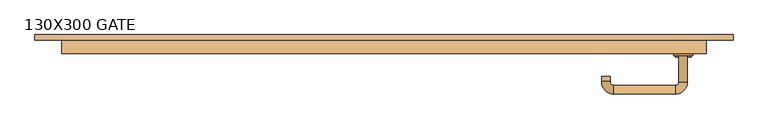
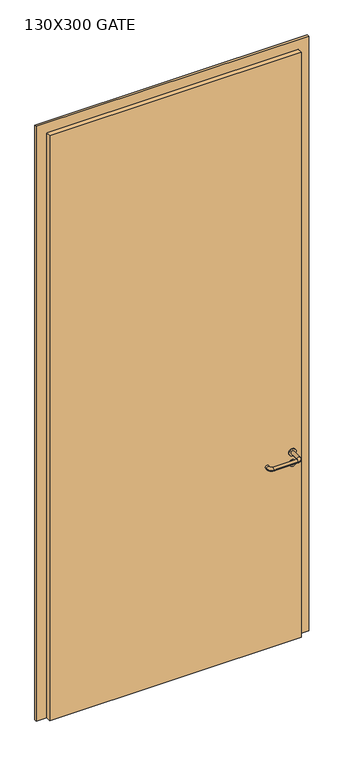
"""IFC4 building model written with IfcOpenShell, lengths in millimetres: door geometry, 130X300 GATE."""

from ifc_helpers import new_model, si_unit, point, frame, frame_2d, origin, origin_with_axes, place, context, project, spatial, polyline, circle_curve, ellipse_curve, trimmed, segment, composite_curve, outline, extrude, source, transform, mapped, element, save
from ifc_brep_helpers import plane_surface, cylinder_surface, revolved_surface, advanced_brep


def door_130x300_gate_be01837f(model_context):
    return source(origin(), model_context, "Body", "SolidModel", [
        extrude(outline(composite_curve([segment(trimmed(circle_curve(frame_2d((897.3605726, 557.0)), 15.0), [point((897.3605726, 572.0))], [point((897.3605726, 542.0))], False, "CARTESIAN"), True, "CONTINUOUS"), segment(trimmed(circle_curve(frame_2d((897.3605726, 557.0)), 15.0), [point((897.3605726, 542.0))], [point((897.3605726, 572.0))], False, "CARTESIAN"), True, "CONTINUOUS")], self_intersect=False), holes=[composite_curve([segment(trimmed(circle_curve(frame_2d((892.5833211, 556.9398032)), 2.0), [point((892.5833211, 558.9398032))], [point((892.5833211, 554.9398032))], True, "CARTESIAN"), True, "CONTINUOUS"), segment(polyline([(892.5833211, 554.9398032), (902.5833211, 554.9398032)]), True, "CONTINUOUS"), segment(trimmed(circle_curve(frame_2d((902.5833211, 556.9398032)), 2.0), [point((902.5833211, 554.9398032))], [point((902.5833211, 558.9398032))], True, "CARTESIAN"), True, "CONTINUOUS"), segment(polyline([(902.5833211, 558.9398032), (892.5833211, 558.9398032)]), True, "CONTINUOUS")], self_intersect=False)]), frame((0.0, -31.35, 0.0), z_axis=(0.0, 1.0, 0.0), x_axis=(0.0, 0.0, 1.0)), (0.0, 0.0, 1.0), 6.35),
        extrude(outline(composite_curve([segment(trimmed(circle_curve(frame_2d((950.0, 557.0)), 17.526), [point((950.0, 574.526))], [point((950.0, 539.474))], False, "CARTESIAN"), True, "CONTINUOUS"), segment(trimmed(circle_curve(frame_2d((950.0, 557.0)), 17.526), [point((950.0, 539.474))], [point((950.0, 574.526))], False, "CARTESIAN"), True, "CONTINUOUS")], self_intersect=False)), frame((0.0, -28.175, 0.0), z_axis=(0.0, 1.0, 0.0), x_axis=(0.0, 0.0, 1.0)), (0.0, 0.0, 1.0), 3.175),
        advanced_brep(
        [(565.0, -25.0, 950.0), (549.0, -25.0, 950.0), (549.0, -78.0, 950.0), (565.0, -78.0, 950.0), (542.8578644, -84.1421356, 950.0), (542.8578644, -100.1421356, 950.0), (427.8578644, -84.1421356, 950.0), (427.8578644, -100.1421356, 950.0), (421.008622, -77.2928932, 950.0), (405.008622, -77.2928932, 950.0), (405.008622, -67.2928932, 950.0), (421.008622, -67.2928932, 950.0)],
        [
            (0, 1, circle_curve(frame((557.0, -25.0, 950.0), z_axis=(0.0, 1.0, 0.0), x_axis=(-1.0, 0.0, 0.0)), 8.0)),
            (1, 0, circle_curve(frame((557.0, -25.0, 950.0), z_axis=(0.0, 1.0, 0.0), x_axis=(-1.0, 0.0, 0.0)), 8.0)),
            (1, 2),
            (2, 3, circle_curve(frame((557.0, -78.0, 950.0), z_axis=(0.0, 1.0, 0.0), x_axis=(-1.0, 0.0, 0.0)), 8.0)),
            (3, 0),
            (3, 2, circle_curve(frame((557.0, -78.0, 950.0), z_axis=(0.0, 1.0, 0.0), x_axis=(-1.0, 0.0, 0.0)), 8.0)),
            (4, 5, circle_curve(frame((542.8578644, -92.1421356, 950.0), z_axis=(1.0, 0.0, 0.0), x_axis=(0.0, 1.0, 0.0)), 8.0)),
            (5, 3, circle_curve(frame((542.8578644, -78.0, 950.0), z_axis=(0.0, 0.0, 1.0), x_axis=(1.0, 0.0, 0.0)), 22.1421356)),
            (2, 4, circle_curve(frame((542.8578644, -78.0, 950.0), z_axis=(0.0, 0.0, -1.0), x_axis=(1.0, 0.0, 0.0)), 6.1421356)),
            (5, 4, circle_curve(frame((542.8578644, -92.1421356, 950.0), z_axis=(1.0, 0.0, 0.0), x_axis=(0.0, 1.0, 0.0)), 8.0)),
            (4, 6),
            (6, 7, circle_curve(frame((427.8578644, -92.1421356, 950.0), z_axis=(1.0, 0.0, 0.0), x_axis=(0.0, 1.0, 0.0)), 8.0)),
            (7, 5),
            (7, 6, circle_curve(frame((427.8578644, -92.1421356, 950.0), z_axis=(1.0, 0.0, 0.0), x_axis=(0.0, 1.0, 0.0)), 8.0)),
            (8, 9, circle_curve(frame((413.008622, -77.2928932, 950.0), z_axis=(0.0, -1.0, 0.0), x_axis=(1.0, 0.0, 0.0)), 8.0)),
            (9, 7, circle_curve(frame((427.8578644, -77.2928932, 950.0), z_axis=(0.0, 0.0, 1.0), x_axis=(0.0, -1.0, 0.0)), 22.8492424)),
            (6, 8, circle_curve(frame((427.8578644, -77.2928932, 950.0), z_axis=(0.0, 0.0, -1.0), x_axis=(0.0, -1.0, 0.0)), 6.8492424)),
            (9, 8, circle_curve(frame((413.008622, -77.2928932, 950.0), z_axis=(0.0, -1.0, 0.0), x_axis=(1.0, 0.0, 0.0)), 8.0)),
            (10, 11, circle_curve(frame((413.008622, -67.2928932, 950.0), z_axis=(0.0, 1.0, 0.0), x_axis=(1.0, 0.0, 0.0)), 8.0)),
            (11, 10, circle_curve(frame((413.008622, -67.2928932, 950.0), z_axis=(0.0, 1.0, 0.0), x_axis=(1.0, 0.0, 0.0)), 8.0)),
            (8, 11),
            (10, 9),
        ],
        [
            plane_surface(frame((557.0, -25.0, 0.0), z_axis=(0.0, 1.0, 0.0), x_axis=(0.0, 0.0, 1.0))),
            cylinder_surface(frame((557.0, -25.0, 950.0), z_axis=(0.0, 1.0, 0.0), x_axis=(-1.0, 0.0, 0.0)), 8.0),
            revolved_surface(trimmed(ellipse_curve(frame((557.0, -78.0, 950.0), z_axis=(0.0, -1.0, 0.0), x_axis=(-1.0, 0.0, 0.0)), 8.0, 8.0), [point((565.0, -78.0, 950.0))], [point((549.0, -78.0, 950.0))], True, "CARTESIAN"), (542.8578644, -78.0, 0.0), (0.0, 0.0, 1.0)),
            revolved_surface(trimmed(ellipse_curve(frame((557.0, -78.0, 950.0), z_axis=(0.0, -1.0, 0.0), x_axis=(-1.0, 0.0, 0.0)), 8.0, 8.0), [point((549.0, -78.0, 950.0))], [point((565.0, -78.0, 950.0))], True, "CARTESIAN"), (542.8578644, -78.0, 0.0), (0.0, 0.0, 1.0)),
            cylinder_surface(frame((542.8578644, -92.1421356, 950.0), z_axis=(1.0, 0.0, 0.0), x_axis=(0.0, 1.0, 0.0)), 8.0),
            revolved_surface(trimmed(ellipse_curve(frame((427.8578644, -92.1421356, 950.0), z_axis=(-1.0, 0.0, 0.0), x_axis=(0.0, 1.0, 0.0)), 8.0, 8.0), [point((427.8578644, -100.1421356, 950.0))], [point((427.8578644, -84.1421356, 950.0))], True, "CARTESIAN"), (427.8578644, -77.2928932, 0.0), (0.0, 0.0, 1.0)),
            revolved_surface(trimmed(ellipse_curve(frame((427.8578644, -92.1421356, 950.0), z_axis=(-1.0, 0.0, 0.0), x_axis=(0.0, 1.0, 0.0)), 8.0, 8.0), [point((427.8578644, -84.1421356, 950.0))], [point((427.8578644, -100.1421356, 950.0))], True, "CARTESIAN"), (427.8578644, -77.2928932, 0.0), (0.0, 0.0, 1.0)),
            plane_surface(frame((413.008622, -67.2928932, 0.0), z_axis=(0.0, 1.0, 0.0), x_axis=(0.0, 0.0, 1.0))),
            cylinder_surface(frame((413.008622, -77.2928932, 950.0), z_axis=(0.0, -1.0, 0.0), x_axis=(1.0, 0.0, 0.0)), 8.0),
        ],
        [
            (0, [[1, 2]]),
            (1, [[3, 4, 5, -2]]),
            (1, [[-5, 6, -3, -1]]),
            (2, [[7, 8, -4, 9]]),
            (3, [[10, -9, -6, -8]]),
            (4, [[11, 12, 13, -7]]),
            (4, [[-13, 14, -11, -10]]),
            (5, [[15, 16, -12, 17]]),
            (6, [[18, -17, -14, -16]]),
            (7, [[19, 20]]),
            (8, [[21, -19, 22, -15]]),
            (8, [[-22, -20, -21, -18]]),
        ],
    ),
        extrude(outline(polyline([(2950.0, 600.0), (0.0, 600.0), (0.0, 650.0), (3000.0, 650.0), (3000.0, -650.0), (0.0, -650.0), (0.0, -600.0), (2950.0, -600.0), (2950.0, 600.0)])), frame((0.0, 0.0, 0.0), z_axis=(0.0, 1.0, 0.0), x_axis=(0.0, 0.0, 1.0)), (0.0, 0.0, 1.0), 10.0),
        extrude(outline(polyline([(-600.0, 5.0), (600.0, 5.0), (600.0, -25.0), (-600.0, -25.0), (-600.0, 5.0)])), origin_with_axes(), (0.0, 0.0, 1.0), 2950.0),
    ])


if __name__ == "__main__":
    model = new_model("IFC4")
    model_context = context("Model", 3, world=origin())
    ifc_project = project(units=[si_unit("LENGTHUNIT", "METRE", prefix="MILLI")], contexts=[model_context])
    site = spatial("IfcSite", under=ifc_project)
    building = spatial("IfcBuilding", under=site)
    placement = place(None, origin())
    door_130x300_gate_shape = door_130x300_gate_be01837f(model_context)
    element("IfcDoor", 1, ObjectType="130X300 GATE", at=placement, inside=building, context=model_context, shape_type="MappedRepresentation", body=[
        mapped(door_130x300_gate_shape, transform((0.0, 0.0, 0.0), x_axis=(1.0, 0.0, 0.0), y_axis=(0.0, 1.0, 0.0), z_axis=(0.0, 0.0, 1.0))),
    ])
    save(model, "model.ifc")
